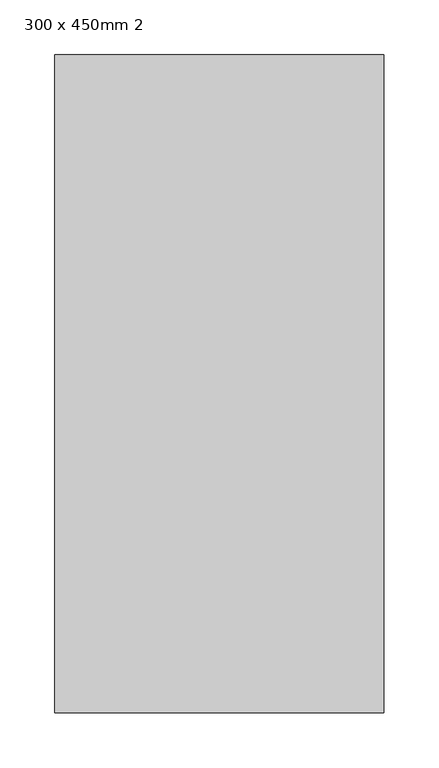
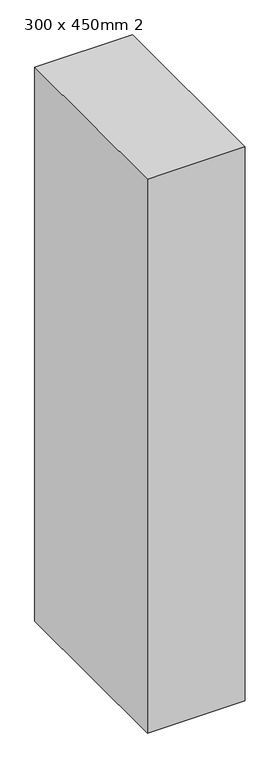
"""IFC4 building model written with IfcOpenShell, lengths in millimetres: column geometry, 300 x 450mm 2."""

from ifc_helpers import new_model, si_unit, origin, origin_with_axes, place, context, project, spatial, polyline, outline, extrude, source, transform, mapped, element, save


def column_300_x_450mm_2_546a5116(model_context):
    return source(origin(), model_context, "Body", "SweptSolid", [
        extrude(outline(polyline([(150.0, 300.0), (150.0, -300.0), (-150.0, -300.0), (-150.0, 300.0), (150.0, 300.0)])), origin_with_axes(), (0.0, 0.0, 1.0), 1800.0),
    ])


if __name__ == "__main__":
    model = new_model("IFC4")
    model_context = context("Model", 3, world=origin())
    ifc_project = project(units=[si_unit("LENGTHUNIT", "METRE", prefix="MILLI")], contexts=[model_context])
    site = spatial("IfcSite", under=ifc_project)
    building = spatial("IfcBuilding", under=site)
    placement = place(None, origin())
    column_300_x_450mm_2_shape = column_300_x_450mm_2_546a5116(model_context)
    element("IfcColumn", 1, ObjectType="300 x 450mm 2", at=placement, inside=building, context=model_context, shape_type="MappedRepresentation", body=[
        mapped(column_300_x_450mm_2_shape, transform((0.0, 0.0, 0.0), x_axis=(1.0, 0.0, 0.0), y_axis=(0.0, 1.0, 0.0), z_axis=(0.0, 0.0, 1.0))),
    ])
    save(model, "model.ifc")
